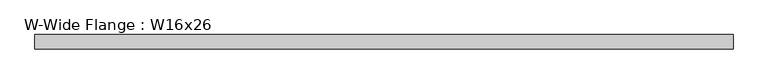
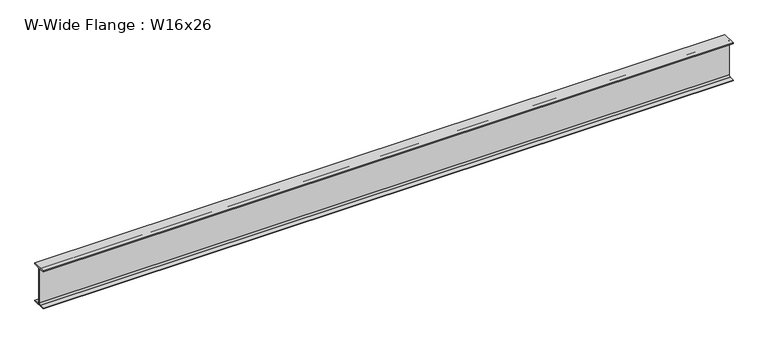
"""IFC4 building model written with IfcOpenShell, lengths in millimetres: beam geometry, W-Wide Flange : W16x26."""

from ifc_helpers import new_model, si_unit, point, frame, frame_2d, origin, place, context, project, spatial, polyline, circle_curve, trimmed, segment, composite_curve, outline, extrude, source, transform, mapped, element, save


def w_wide_flange_w16x26_37708c3c(model_context):
    return source(origin(), model_context, "Body", "SweptSolid", [
        extrude(outline(composite_curve([segment(polyline([(69.85, -190.627), (69.85, -199.39), (-69.85, -199.39), (-69.85, -190.627), (-21.3995, -190.627)]), True, "CONTINUOUS"), segment(trimmed(circle_curve(frame_2d((-21.3995, -172.4025)), 18.2245), [point((-21.3995, -190.627))], [point((-3.175, -172.4025))], True, "CARTESIAN"), True, "CONTINUOUS"), segment(polyline([(-3.175, -172.4025), (-3.175, 172.4025)]), True, "CONTINUOUS"), segment(trimmed(circle_curve(frame_2d((-21.3995, 172.4025)), 18.2245), [point((-3.175, 172.4025))], [point((-21.3995, 190.627))], True, "CARTESIAN"), True, "CONTINUOUS"), segment(polyline([(-21.3995, 190.627), (-69.85, 190.627), (-69.85, 199.39), (69.85, 199.39), (69.85, 190.627), (21.3995, 190.627)]), True, "CONTINUOUS"), segment(trimmed(circle_curve(frame_2d((21.3995, 172.4025)), 18.2245), [point((21.3995, 190.627))], [point((3.175, 172.4025))], True, "CARTESIAN"), True, "CONTINUOUS"), segment(polyline([(3.175, 172.4025), (3.175, -172.4025)]), True, "CONTINUOUS"), segment(trimmed(circle_curve(frame_2d((21.3995, -172.4025)), 18.2245), [point((3.175, -172.4025))], [point((21.3995, -190.627))], True, "CARTESIAN"), True, "CONTINUOUS"), segment(polyline([(21.3995, -190.627), (69.85, -190.627)]), True, "CONTINUOUS")], self_intersect=False)), frame((-3441.7, 0.0, 0.0), z_axis=(1.0, 0.0, 0.0), x_axis=(0.0, 1.0, 0.0)), (0.0, 0.0, 1.0), 6859.27),
    ])


if __name__ == "__main__":
    model = new_model("IFC4")
    model_context = context("Model", 3, world=origin())
    ifc_project = project(units=[si_unit("LENGTHUNIT", "METRE", prefix="MILLI")], contexts=[model_context])
    site = spatial("IfcSite", under=ifc_project)
    building = spatial("IfcBuilding", under=site)
    placement = place(None, origin())
    w_wide_flange_w16x26_shape = w_wide_flange_w16x26_37708c3c(model_context)
    element("IfcBeam", 1, ObjectType="W-Wide Flange : W16x26", at=placement, inside=building, context=model_context, shape_type="MappedRepresentation", body=[
        mapped(w_wide_flange_w16x26_shape, transform((0.0, 0.0, 0.0), x_axis=(1.0, 0.0, 0.0), y_axis=(0.0, 1.0, 0.0), z_axis=(0.0, 0.0, 1.0))),
    ])
    save(model, "model.ifc")
